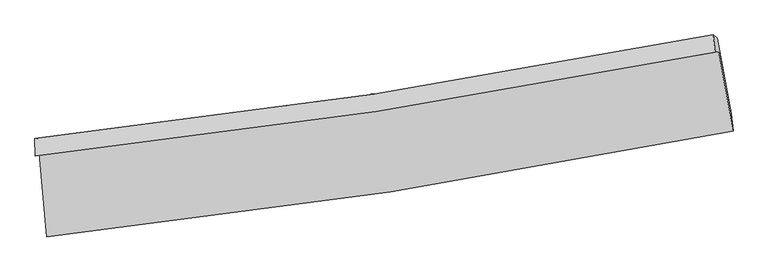
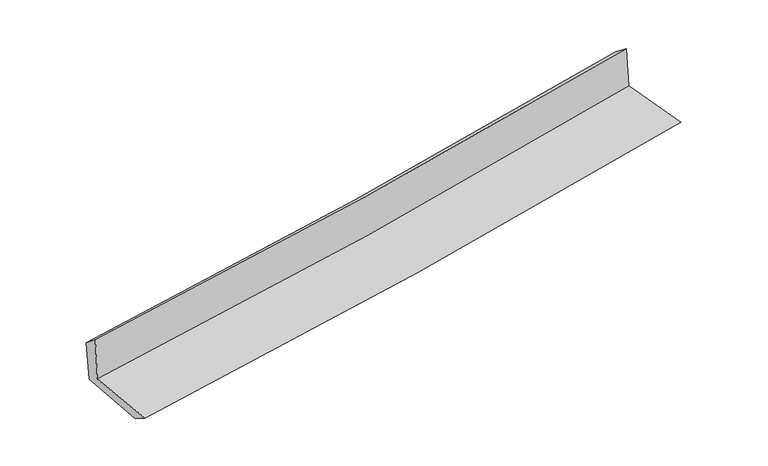
"""IFC4 building model written with IfcOpenShell, lengths in millimetres: proxy geometry."""

from ifc_helpers import new_model, si_unit, frame, origin, place, context, project, spatial, source, transform, mapped, element, save
from ifc_brep_helpers import plane_surface, spline_curve, spline_surface, advanced_brep


def generic_models_6a8cebba(model_context):
    return source(origin(), model_context, "Body", "AdvancedBrep", [
        advanced_brep(
        [(-2807.6739414, -1891.4716497, 1627.9348621), (-2746.0489239, -2574.7551266, 1622.1158918), (2878.0552111, -1705.0941507, 2121.6424074), (2760.8657675, -1053.4559013, 2132.4126728), (-2838.0105801, -1912.393021, 2046.6397577), (2730.5836389, -1058.8622471, 2525.0338215), (-2841.8464548, -1769.8934214, 1930.6504182), (2714.2563758, -917.3713802, 2412.8025044), (-2812.9478116, -1764.4351189, 1548.6356651), (2750.2018463, -945.7313479, 2024.7639823), (-2753.1969812, -2413.9600273, 1527.8887455), (2861.6944331, -1563.1164036, 2008.7400664)],
        [
            (0, 1),
            (1, 2, spline_curve(3, [(-2746.0489239, -2574.7551266, 1622.1158918), (-1804.148064108, -2473.46929992, 1715.164486697), (-865.206518192, -2350.493029479, 1803.26211923), (1009.51230258, -2060.733884555, 1969.800139486), (1945.272135135, -1893.823162789, 2048.211345567), (2878.0552111, -1705.0941507, 2121.6424074)], [4, 2, 4], [0.0, 9.312438479862536, 18.652281099027505])),
            (2, 3),
            (3, 0, spline_curve(3, [(2760.8657675, -1053.4559013, 2132.4126728), (1837.434546126, -1238.064953145, 2054.779106129), (910.987755578, -1400.273864692, 1973.855913698), (-945.209817613, -1679.481190992, 1805.677367497), (-1874.942929892, -1796.610862656, 1718.441289493), (-2807.6739414, -1891.4716497, 1627.9348621)], [4, 2, 4], [0.0, 9.339842619164969, 18.652281099027505])),
            (4, 0),
            (3, 5),
            (5, 4, spline_curve(3, [(2730.5836389, -1058.8622471, 2525.0338215), (1807.041824933, -1241.091912709, 2447.356324611), (880.53526341, -1403.409599293, 2368.59123644), (-975.680181986, -1687.803180887, 2209.12017582), (-1905.371693351, -1809.995752041, 2128.420575863), (-2838.0105801, -1912.393021, 2046.6397577)], [4, 2, 4], [0.0, 9.29111809844846, 18.554975020769305])),
            (6, 4),
            (5, 7),
            (7, 6, spline_curve(3, [(2714.2563758, -917.3713802, 2412.8025044), (1792.320290442, -1098.750159215, 2339.61992598), (867.659424001, -1260.558719405, 2262.784905739), (-984.39081914, -1544.618059246, 2102.046142045), (-1911.7642292, -1666.983512745, 2018.163799979), (-2841.8464548, -1769.8934214, 1930.6504182)], [4, 2, 4], [0.0, 9.280917504138998, 18.534603761831086])),
            (8, 6),
            (7, 9),
            (9, 8, spline_curve(3, [(2750.2018463, -945.7313479, 2024.7639823), (1826.174117339, -1121.429153783, 1957.71535774), (899.880003226, -1277.574924617, 1884.446265244), (-954.516496418, -1550.361614338, 1725.700376784), (-1882.605601195, -1667.117100409, 1640.260029842), (-2812.9478116, -1764.4351189, 1548.6356651)], [4, 2, 4], [0.0, 9.272137944210389, 18.517070402181304])),
            (10, 8),
            (9, 11),
            (11, 10, spline_curve(3, [(2861.6944331, -1563.1164036, 2008.7400664), (1929.013525157, -1741.422616911, 1941.010833317), (994.074685846, -1901.556871754, 1867.007195572), (-877.569016057, -2185.064932443, 1706.686656351), (-1814.260648327, -2308.545218597, 1620.406520307), (-2753.1969812, -2413.9600273, 1527.8887455)], [4, 2, 4], [0.0, 9.319334767918752, 18.61132556885652])),
            (1, 10),
            (11, 2),
        ],
        [
            spline_surface(3, 3, [[(-2807.6739414, -1891.4716497, 1627.9348621), (-1874.942929937, -1796.610862705, 1718.4412896), (-945.209817541, -1679.481191147, 1805.677367525), (910.987755506, -1400.273864536, 1973.855913669), (1837.434546058, -1238.064953269, 2054.779106028), (2760.8657675, -1053.4559013, 2132.4126728)], [(-2787.13226888, -2119.232808665, 1625.99520532), (-1851.34464129, -2022.230341771, 1717.349021937), (-918.542051139, -1903.151803952, 1804.872284786), (943.829271211, -1620.427204477, 1972.503988966), (1873.380409121, -1456.651023079, 2052.589852508), (2799.928915356, -1270.668651091, 2128.822584342)], [(-2766.59059642, -2346.993967635, 1624.05554858), (-1827.746352702, -2247.849820841, 1716.256754313), (-891.874284686, -2126.822416814, 1804.067201971), (976.670786968, -1840.580544475, 1971.152064186), (1909.326272216, -1675.237092916, 2050.400598961), (2838.992063244, -1487.881400909, 2125.232495858)], [(-2746.0489239, -2574.7551266, 1622.1158918), (-1804.148064054, -2473.469299907, 1715.16448665), (-865.206518285, -2350.493029619, 1803.262119233), (1009.512302673, -2060.733884415, 1969.800139483), (1945.272135279, -1893.823162726, 2048.211345441), (2878.0552111, -1705.0941507, 2121.6424074)]], [4, 4], [4, 2, 4], [0.0, 2.2037064353316955], [0.0, 9.312438479862536, 18.652281099027505]),
            spline_surface(3, 3, [[(-2838.0105801, -1912.393021, 2046.6397577), (-1905.371693438, -1809.995752079, 2128.420575729), (-975.680181937, -1687.80318082, 2209.120175736), (880.53526336, -1403.40959936, 2368.591236524), (1807.041824816, -1241.091912656, 2447.356324465), (2730.5836389, -1058.8622471, 2525.0338215)], [(-2827.898367195, -1905.419230553, 1907.071459181), (-1895.228772266, -1805.534122274, 1991.760813701), (-965.523393797, -1685.029184265, 2074.639239637), (890.686094082, -1402.364354421, 2237.012795544), (1817.172731889, -1240.082926195, 2316.497251649), (2740.677681759, -1057.060131834, 2394.160105263)], [(-2817.786154305, -1898.445440147, 1767.503160619), (-1885.085851109, -1801.07249251, 1855.101051628), (-955.36660568, -1682.255187703, 1940.158303624), (900.836924783, -1401.319109475, 2105.434354649), (1827.303638984, -1239.07393973, 2185.638178844), (2750.771724641, -1055.258016566, 2263.286389037)], [(-2807.6739414, -1891.4716497, 1627.9348621), (-1874.942929937, -1796.610862705, 1718.4412896), (-945.209817541, -1679.481191147, 1805.677367525), (910.987755506, -1400.273864536, 1973.855913669), (1837.434546058, -1238.064953269, 2054.779106028), (2760.8657675, -1053.4559013, 2132.4126728)]], [4, 4], [4, 2, 4], [0.0, 1.3132481754139775], [0.0, 9.263856922320846, 18.554975020769305]),
            spline_surface(3, 3, [[(-2841.8464548, -1769.8934214, 1930.6504182), (-1911.764229323, -1666.983512719, 2018.163799863), (-984.390819081, -1544.618059236, 2102.046141916), (867.659423942, -1260.558719416, 2262.784905867), (1792.320290588, -1098.750159192, 2339.619925907), (2714.2563758, -917.3713802, 2412.8025044)], [(-2840.567829915, -1817.393287945, 1969.313531366), (-1909.633384043, -1714.654259185, 2054.916058485), (-981.487273377, -1592.346433113, 2137.737486546), (871.951370403, -1308.175679414, 2298.053682776), (1797.227468681, -1146.197410369, 2375.532058765), (2719.69879685, -964.535002523, 2450.212943439)], [(-2839.289204985, -1864.893154455, 2007.976644534), (-1907.502538718, -1762.325005614, 2091.668317108), (-978.58372764, -1640.074806942, 2173.428831106), (876.243316898, -1355.792639362, 2333.322459616), (1802.134646723, -1193.644661479, 2411.444191607), (2725.14121785, -1011.698624777, 2487.623382461)], [(-2838.0105801, -1912.393021, 2046.6397577), (-1905.371693438, -1809.995752079, 2128.420575729), (-975.680181937, -1687.80318082, 2209.120175736), (880.53526336, -1403.40959936, 2368.591236524), (1807.041824816, -1241.091912656, 2447.356324465), (2730.5836389, -1058.8622471, 2525.0338215)]], [4, 4], [4, 2, 4], [0.0, 0.5859744735185494], [0.0, 9.253686257692088, 18.534603761831086]),
            spline_surface(3, 3, [[(-2812.9478116, -1764.4351189, 1548.6356651), (-1882.605601285, -1667.117100548, 1640.260029959), (-954.516496317, -1550.361614279, 1725.700376718), (899.880003124, -1277.574924675, 1884.446265311), (1826.174117462, -1121.429153908, 1957.715357643), (2750.2018463, -945.7313479, 2024.7639823)], [(-2822.580692662, -1766.25455307, 1675.973916133), (-1892.32514396, -1667.072571275, 1766.22795326), (-964.474603904, -1548.447095926, 1851.148965103), (889.139810064, -1271.90285625, 2010.559145482), (1814.889508501, -1113.869488975, 2085.016880396), (2738.220022797, -936.278025306, 2154.110156332)], [(-2832.213573738, -1768.07398723, 1803.312167167), (-1902.044686648, -1667.028041992, 1892.195876563), (-974.432711493, -1546.532577589, 1976.597553531), (878.399617002, -1266.230787842, 2136.672025696), (1803.604899549, -1106.309824124, 2212.318403154), (2726.238199303, -926.824702794, 2283.456330368)], [(-2841.8464548, -1769.8934214, 1930.6504182), (-1911.764229323, -1666.983512719, 2018.163799863), (-984.390819081, -1544.618059236, 2102.046141916), (867.659423942, -1260.558719416, 2262.784905867), (1792.320290588, -1098.750159192, 2339.619925907), (2714.2563758, -917.3713802, 2412.8025044)]], [4, 4], [4, 2, 4], [0.0, 1.242755984901655], [0.0, 9.244932457970915, 18.517070402181304]),
            spline_surface(3, 3, [[(-2753.1969812, -2413.9600273, 1527.8887455), (-1814.260648243, -2308.54521861, 1620.406520312), (-877.569016112, -2185.064932379, 1706.686656357), (994.074685902, -1901.556871818, 1867.007195566), (1929.013525258, -1741.422616788, 1941.010833177), (2861.6944331, -1563.1164036, 2008.7400664)], [(-2773.113924684, -2197.451724511, 1534.804385369), (-1837.042299274, -2094.735845933, 1627.024356863), (-903.21817615, -1973.497159675, 1713.024563155), (962.67645834, -1693.562889434, 1872.820218826), (1894.733722665, -1534.758129177, 1946.579008), (2824.530237506, -1357.321385048, 2014.081371701)], [(-2793.030868116, -1980.943421689, 1541.720025231), (-1859.823950254, -1880.926473224, 1633.642193408), (-928.867336279, -1761.929386983, 1719.362469919), (931.278230686, -1485.56890706, 1878.633242051), (1860.453920054, -1328.09364152, 1952.14718282), (2787.366041894, -1151.526366452, 2019.422676999)], [(-2812.9478116, -1764.4351189, 1548.6356651), (-1882.605601285, -1667.117100548, 1640.260029959), (-954.516496317, -1550.361614279, 1725.700376718), (899.880003124, -1277.574924675, 1884.446265311), (1826.174117462, -1121.429153908, 1957.715357643), (2750.2018463, -945.7313479, 2024.7639823)]], [4, 4], [4, 2, 4], [0.0, 2.084588970108516], [0.0, 9.291990800937766, 18.61132556885652]),
            spline_surface(3, 3, [[(-2746.0489239, -2574.7551266, 1622.1158918), (-1804.148064054, -2473.469299907, 1715.16448665), (-865.206518285, -2350.493029619, 1803.262119233), (1009.512302673, -2060.733884415, 1969.800139483), (1945.272135279, -1893.823162726, 2048.211345441), (2878.0552111, -1705.0941507, 2121.6424074)], [(-2748.431609663, -2521.156760156, 1590.706843031), (-1807.518925447, -2418.494606131, 1683.578497868), (-869.327350904, -2295.350330549, 1771.070298257), (1004.366430406, -2007.674880227, 1935.535824827), (1939.852598603, -1843.022980744, 2012.477841343), (2872.601618431, -1657.768234997, 2084.008293723)], [(-2750.814295437, -2467.558393744, 1559.297794269), (-1810.88978685, -2363.519912387, 1651.992509094), (-873.448183492, -2240.207631449, 1738.878477332), (999.220558169, -1954.615876007, 1901.271510222), (1934.433061934, -1792.22279877, 1976.744337275), (2867.148025769, -1610.442319303, 2046.374180077)], [(-2753.1969812, -2413.9600273, 1527.8887455), (-1814.260648243, -2308.54521861, 1620.406520312), (-877.569016112, -2185.064932379, 1706.686656357), (994.074685902, -1901.556871818, 1867.007195566), (1929.013525258, -1741.422616788, 1941.010833177), (2861.6944331, -1563.1164036, 2008.7400664)]], [4, 4], [4, 2, 4], [0.0, 0.6265565122677307], [0.0, 9.349239964319985, 18.725992365356532]),
            plane_surface(frame((2782.6095454, -1207.2719051, 2204.2325758), z_axis=(0.9814282911567378, 0.1752073153685692, 0.0781082963487501), x_axis=(-0.09199557774150904, 0.07258192990023839, 0.9931106066939185))),
            plane_surface(frame((-2799.9541155, -2054.4847275, 1717.3108901), z_axis=(-0.993104868833726, -0.0889170543365246, -0.07639683859207569), x_axis=(-0.0898217169843619, 0.9959217459485916, 0.008481456519388282))),
        ],
        [
            (0, [[1, 2, 3, 4]]),
            (1, [[5, -4, 6, 7]]),
            (2, [[8, -7, 9, 10]]),
            (3, [[11, -10, 12, 13]]),
            (4, [[14, -13, 15, 16]]),
            (5, [[17, -16, 18, -2]]),
            (6, [[-12, -9, -6, -3, -18, -15]]),
            (7, [[-1, -5, -8, -11, -14, -17]]),
        ],
    ),
    ])


if __name__ == "__main__":
    model = new_model("IFC4")
    model_context = context("Model", 3, world=origin())
    ifc_project = project(units=[si_unit("LENGTHUNIT", "METRE", prefix="MILLI")], contexts=[model_context])
    site = spatial("IfcSite", under=ifc_project)
    building = spatial("IfcBuilding", under=site)
    placement = place(None, origin())
    generic_models_shape = generic_models_6a8cebba(model_context)
    element("IfcBuildingElementProxy", 1, Name="Generic Models", at=placement, inside=building, context=model_context, shape_type="MappedRepresentation", body=[
        mapped(generic_models_shape, transform((0.0, 0.0, 0.0), x_axis=(1.0, 0.0, 0.0), y_axis=(0.0, 1.0, 0.0), z_axis=(0.0, 0.0, 1.0))),
    ])
    save(model, "model.ifc")
